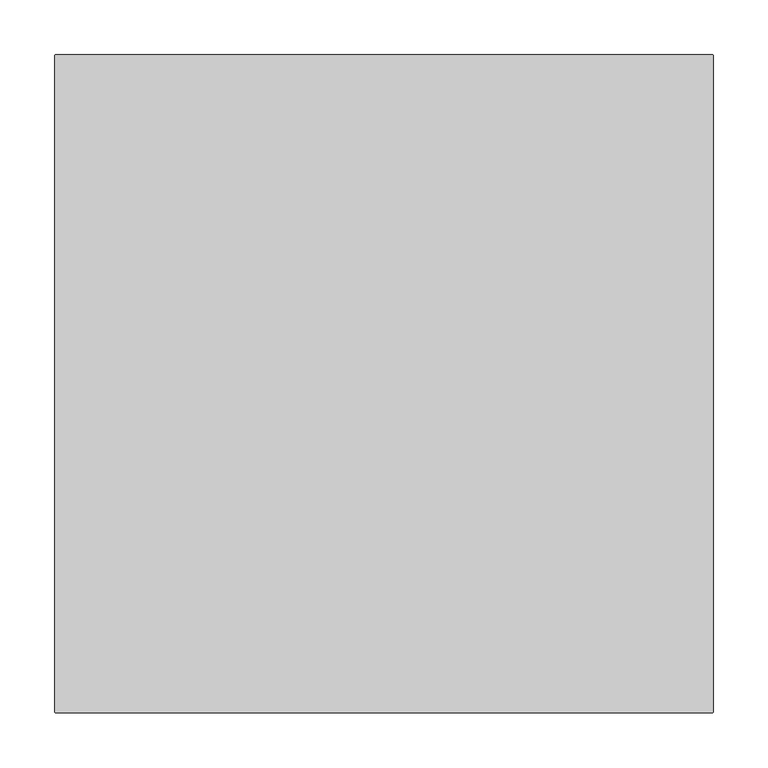
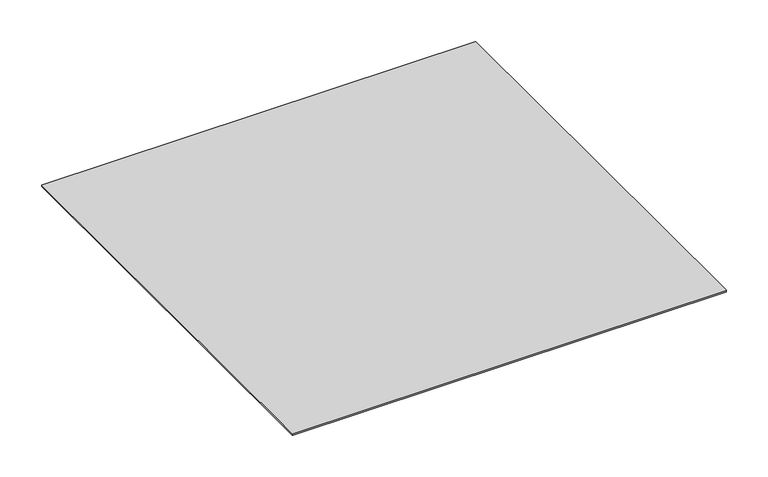
"""IFC4 building model written with IfcOpenShell, lengths in millimetres: proxy geometry."""

from ifc_helpers import new_model, si_unit, origin, origin_with_axes, place, context, project, spatial, polyline, outline, extrude, source, transform, mapped, element, save


def generic_models_a6865cea(model_context):
    return source(origin(), model_context, "Body", "SweptSolid", [
        extrude(outline(polyline([(-301.5, 300.9549776), (-300.9549776, 301.5), (300.9549776, 301.5), (301.5, 300.9549776), (301.5, -300.9549776), (300.9549776, -301.5), (-300.9549776, -301.5), (-301.5, -300.9549776), (-301.5, 300.9549776)])), origin_with_axes(), (0.0, 0.0, 1.0), 2.0),
    ])


if __name__ == "__main__":
    model = new_model("IFC4")
    model_context = context("Model", 3, world=origin())
    ifc_project = project(units=[si_unit("LENGTHUNIT", "METRE", prefix="MILLI")], contexts=[model_context])
    site = spatial("IfcSite", under=ifc_project)
    building = spatial("IfcBuilding", under=site)
    placement = place(None, origin())
    generic_models_shape = generic_models_a6865cea(model_context)
    element("IfcBuildingElementProxy", 1, Name="Generic Models", at=placement, inside=building, context=model_context, shape_type="MappedRepresentation", body=[
        mapped(generic_models_shape, transform((0.0, 0.0, 0.0), x_axis=(1.0, 0.0, 0.0), y_axis=(0.0, 1.0, 0.0), z_axis=(0.0, 0.0, 1.0))),
    ])
    save(model, "model.ifc")
